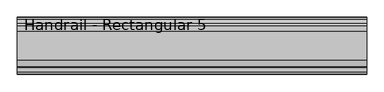
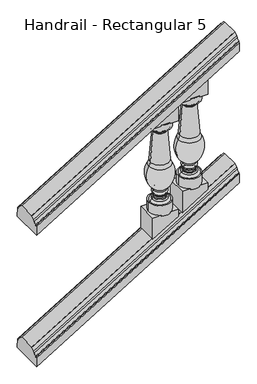
"""IFC4 building model written with IfcOpenShell, lengths in millimetres: railing geometry, Handrail - Rectangular 5."""

from ifc_helpers import new_model, si_unit, point, frame, origin, place, context, project, spatial, polyline, circle_curve, ellipse_curve, trimmed, outline, extrude, source, transform, mapped, element, save
from ifc_brep_helpers import plane_surface, cylinder_surface, revolved_surface, advanced_brep


def handrail_rectangular_5_e16f5a64(model_context):
    return source(origin(), model_context, "Body", "SolidModel", [
        advanced_brep(
        [(13375.5027138, 3915.5232089, 1199.0074207), (13375.5027138, 3932.6436506, 1210.4791063), (13375.5027138, 3939.1037227, 1221.5403426), (13375.5027138, 3963.1482089, 1232.4207421), (13375.5027138, 3963.1482089, 1236.1333333), (13375.5027138, 4079.0357089, 1236.1333333), (13375.5027138, 4079.0357089, 1232.4207421), (13375.5027138, 4103.080195, 1221.5403426), (13375.5027138, 4109.5402671, 1210.4791063), (13375.5027138, 4126.6607089, 1199.0074207), (13375.5027138, 4126.6607089, 1191.5822381), (13375.5027138, 4133.8044589, 1191.5822381), (13375.5027138, 4135.3919589, 1128.4681866), (13375.5027138, 3906.7919589, 1128.4681866), (13375.5027138, 3908.3794589, 1191.5822381), (13375.5027138, 3915.5232089, 1191.5822381), (14772.5027138, 3915.5232089, 2045.6740873), (14772.5027138, 3915.5232089, 2038.2489048), (14772.5027138, 3908.3794589, 2038.2489048), (14772.5027138, 3906.7919589, 1975.1348533), (14772.5027138, 4135.3919589, 1975.1348533), (14772.5027138, 4133.8044589, 2038.2489048), (14772.5027138, 4126.6607089, 2038.2489048), (14772.5027138, 4126.6607089, 2045.6740873), (14772.5027138, 4109.5402671, 2057.145773), (14772.5027138, 4103.080195, 2068.2070092), (14772.5027138, 4079.0357089, 2079.0874087), (14772.5027138, 4079.0357089, 2082.8), (14772.5027138, 3963.1482089, 2082.8), (14772.5027138, 3963.1482089, 2079.0874087), (14772.5027138, 3939.1037227, 2068.2070092), (14772.5027138, 3932.6436506, 2057.145773)],
        [
            (0, 1, ellipse_curve(frame((13375.5027138, 3915.5232089, 1222.2111161), z_axis=(1.0, 0.0, 0.0), x_axis=(0.0, 0.0, 1.0)), 23.2036954, 19.84375)),
            (1, 2),
            (2, 3, ellipse_curve(frame((13375.5027138, 3963.1482089, 1190.6540903), z_axis=(-1.0, 0.0, 0.0), x_axis=(0.0, 0.0, -1.0)), 41.7666517, 35.71875)),
            (3, 4),
            (4, 5),
            (5, 6),
            (6, 7, ellipse_curve(frame((13375.5027138, 4079.0357089, 1190.6540903), z_axis=(-1.0, 0.0, 0.0), x_axis=(0.0, 0.0, -1.0)), 41.7666517, 35.71875)),
            (7, 8),
            (8, 9, ellipse_curve(frame((13375.5027138, 4126.6607089, 1222.2111161), z_axis=(1.0, 0.0, 0.0), x_axis=(0.0, 0.0, 1.0)), 23.2036954, 19.84375)),
            (9, 10),
            (10, 11),
            (11, 12),
            (12, 13),
            (13, 14),
            (14, 15),
            (15, 0),
            (16, 17),
            (17, 18),
            (18, 19),
            (19, 20),
            (20, 21),
            (21, 22),
            (22, 23),
            (23, 24, ellipse_curve(frame((14772.5027138, 4126.6607089, 2068.8777828), z_axis=(-1.0, 0.0, 0.0), x_axis=(0.0, 0.0, 1.0)), 23.2036954, 19.84375)),
            (24, 25),
            (25, 26, ellipse_curve(frame((14772.5027138, 4079.0357089, 2037.320757), z_axis=(1.0, 0.0, 0.0), x_axis=(0.0, 0.0, -1.0)), 41.7666517, 35.71875)),
            (26, 27),
            (27, 28),
            (28, 29),
            (29, 30, ellipse_curve(frame((14772.5027138, 3963.1482089, 2037.320757), z_axis=(1.0, 0.0, 0.0), x_axis=(0.0, 0.0, -1.0)), 41.7666517, 35.71875)),
            (30, 31),
            (31, 16, ellipse_curve(frame((14772.5027138, 3915.5232089, 2068.8777828), z_axis=(-1.0, 0.0, 0.0), x_axis=(0.0, 0.0, 1.0)), 23.2036954, 19.84375)),
            (0, 16),
            (31, 1),
            (30, 2),
            (29, 3),
            (28, 4),
            (27, 5),
            (26, 6),
            (25, 7),
            (24, 8),
            (23, 9),
            (22, 10),
            (21, 11),
            (20, 12),
            (19, 13),
            (18, 14),
            (17, 15),
        ],
        [
            plane_surface(frame((13375.5027138, 4021.0919589, 1236.1333333), z_axis=(-1.0, 0.0, 0.0), x_axis=(0.0, 1.0, 0.0))),
            plane_surface(frame((14772.5027138, 4021.0919589, 2082.8), z_axis=(1.0, 0.0, 0.0), x_axis=(0.0, 1.0, 0.0))),
            revolved_surface(polyline([(14787.987982704497, 3932.643650672254, 2066.5307845075777), (13370.417883342452, 3932.643650672254, 1207.3973909549572)]), (13381.6737436, 3915.5232089, 1225.9511342), (0.8551978315540539, 0.0, 0.518301716093285)),
            plane_surface(frame((13375.5027138, 3932.6436506, 1210.4791063), z_axis=(-0.29229904298269427, -0.8258052588880855, 0.4822934209215209), x_axis=(0.8551978315540539, 0.0, 0.518301716093285))),
            cylinder_surface(frame((13395.6614111, 3963.1482089, 1202.8714827), z_axis=(-0.8551978315540539, 0.0, -0.518301716093285), x_axis=(-0.518301716093285, 0.0, 0.8551978315540539)), 35.71875),
            plane_surface(frame((13375.5027138, 3963.1482089, 1232.4207421), z_axis=(0.0, -1.0000000000000002, 0.0), x_axis=(0.8551978315540539, 0.0, 0.518301716093285))),
            plane_surface(frame((13375.5027138, 3963.1482089, 1236.1333333), z_axis=(-0.518301716093285, 0.0, 0.8551978315540539), x_axis=(0.8551978315540539, 0.0, 0.518301716093285))),
            plane_surface(frame((13375.5027138, 4079.0357089, 1236.1333333), z_axis=(0.0, 1.0000000000000002, 0.0), x_axis=(0.8551978315540539, 0.0, 0.518301716093285))),
            cylinder_surface(frame((13395.6614111, 4079.0357089, 1202.8714827), z_axis=(-0.8551978315540539, 0.0, -0.518301716093285), x_axis=(-0.518301716093285, 0.0, 0.8551978315540539)), 35.71875),
            plane_surface(frame((13375.5027138, 4103.080195, 1221.5403426), z_axis=(-0.2922990429826896, 0.8258052588880918, 0.4822934209215132), x_axis=(0.8551978315540539, 0.0, 0.518301716093285))),
            revolved_surface(polyline([(14787.987982704497, 4109.540267127746, 2066.5307845075777), (13370.417883342452, 4109.540267127746, 1207.3973909549572)]), (13381.6737436, 4126.6607089, 1225.9511342), (0.8551978315540539, 0.0, 0.518301716093285)),
            plane_surface(frame((13375.5027138, 4126.6607089, 1199.0074207), z_axis=(0.0, 1.0000000000000002, 0.0), x_axis=(0.8551978315540539, 0.0, 0.5183017160932849))),
            plane_surface(frame((13375.5027138, 4126.6607089, 1191.5822381), z_axis=(-0.5183017160932849, 0.0, 0.8551978315540539), x_axis=(0.8551978315540539, 0.0, 0.5183017160932849))),
            plane_surface(frame((13375.5027138, 4133.8044589, 1191.5822381), z_axis=(-0.015237578896775987, 0.9995677544643533, 0.02514200517968431), x_axis=(0.8551978315540539, 0.0, 0.5183017160932849))),
            plane_surface(frame((13375.5027138, 4135.3919589, 1128.4681866), z_axis=(0.518301716093285, 0.0, -0.8551978315540539), x_axis=(0.8551978315540539, 0.0, 0.518301716093285))),
            plane_surface(frame((13375.5027138, 3906.7919589, 1128.4681866), z_axis=(-0.015237578896776153, -0.9995677544643533, 0.02514200517968458), x_axis=(0.8551978315540539, 0.0, 0.518301716093285))),
            plane_surface(frame((13375.5027138, 3908.3794589, 1191.5822381), z_axis=(-0.5183017160932849, 0.0, 0.8551978315540539), x_axis=(0.8551978315540539, 0.0, 0.5183017160932849))),
            plane_surface(frame((13375.5027138, 3915.5232089, 1191.5822381), z_axis=(0.0, -1.0000000000000002, 0.0), x_axis=(0.8551978315540539, 0.0, 0.5183017160932849))),
        ],
        [
            (0, [[1, 2, 3, 4, 5, 6, 7, 8, 9, 10, 11, 12, 13, 14, 15, 16]]),
            (1, [[17, 18, 19, 20, 21, 22, 23, 24, 25, 26, 27, 28, 29, 30, 31, 32]]),
            (2, [[-1, 33, -32, 34]]),
            (3, [[-2, -34, -31, 35]]),
            (4, [[-3, -35, -30, 36]]),
            (5, [[-4, -36, -29, 37]]),
            (6, [[-5, -37, -28, 38]]),
            (7, [[-6, -38, -27, 39]]),
            (8, [[-7, -39, -26, 40]]),
            (9, [[-8, -40, -25, 41]]),
            (10, [[-9, -41, -24, 42]]),
            (11, [[-10, -42, -23, 43]]),
            (12, [[-11, -43, -22, 44]]),
            (13, [[-12, -44, -21, 45]]),
            (14, [[-13, -45, -20, 46]]),
            (15, [[-14, -46, -19, 47]]),
            (16, [[-15, -47, -18, 48]]),
            (17, [[-16, -48, -17, -33]]),
        ],
    ),
        advanced_brep(
        [(13375.5027138, 3915.5232089, 243.3324207), (13375.5027138, 3932.6436506, 254.8041063), (13375.5027138, 3939.1037227, 265.8653426), (13375.5027138, 3963.1482089, 276.7457421), (13375.5027138, 3963.1482089, 280.4583333), (13375.5027138, 4079.0357089, 280.4583333), (13375.5027138, 4079.0357089, 276.7457421), (13375.5027138, 4103.080195, 265.8653426), (13375.5027138, 4109.5402671, 254.8041063), (13375.5027138, 4126.6607089, 243.3324207), (13375.5027138, 4126.6607089, 235.9072381), (13375.5027138, 4133.8044589, 235.9072381), (13375.5027138, 4135.3919589, 172.7931866), (13375.5027138, 3906.7919589, 172.7931866), (13375.5027138, 3908.3794589, 235.9072381), (13375.5027138, 3915.5232089, 235.9072381), (14772.5027138, 3915.5232089, 1089.9990873), (14772.5027138, 3915.5232089, 1082.5739048), (14772.5027138, 3908.3794589, 1082.5739048), (14772.5027138, 3906.7919589, 1019.4598533), (14772.5027138, 4135.3919589, 1019.4598533), (14772.5027138, 4133.8044589, 1082.5739048), (14772.5027138, 4126.6607089, 1082.5739048), (14772.5027138, 4126.6607089, 1089.9990873), (14772.5027138, 4109.5402671, 1101.470773), (14772.5027138, 4103.080195, 1112.5320092), (14772.5027138, 4079.0357089, 1123.4124087), (14772.5027138, 4079.0357089, 1127.125), (14772.5027138, 3963.1482089, 1127.125), (14772.5027138, 3963.1482089, 1123.4124087), (14772.5027138, 3939.1037227, 1112.5320092), (14772.5027138, 3932.6436506, 1101.470773)],
        [
            (0, 1, ellipse_curve(frame((13375.5027138, 3915.5232089, 266.5361161), z_axis=(1.0, 0.0, 0.0), x_axis=(0.0, 0.0, 1.0)), 23.2036954, 19.84375)),
            (1, 2),
            (2, 3, ellipse_curve(frame((13375.5027138, 3963.1482089, 234.9790903), z_axis=(-1.0, 0.0, 0.0), x_axis=(0.0, 0.0, -1.0)), 41.7666517, 35.71875)),
            (3, 4),
            (4, 5),
            (5, 6),
            (6, 7, ellipse_curve(frame((13375.5027138, 4079.0357089, 234.9790903), z_axis=(-1.0, 0.0, 0.0), x_axis=(0.0, 0.0, -1.0)), 41.7666517, 35.71875)),
            (7, 8),
            (8, 9, ellipse_curve(frame((13375.5027138, 4126.6607089, 266.5361161), z_axis=(1.0, 0.0, 0.0), x_axis=(0.0, 0.0, 1.0)), 23.2036954, 19.84375)),
            (9, 10),
            (10, 11),
            (11, 12),
            (12, 13),
            (13, 14),
            (14, 15),
            (15, 0),
            (16, 17),
            (17, 18),
            (18, 19),
            (19, 20),
            (20, 21),
            (21, 22),
            (22, 23),
            (23, 24, ellipse_curve(frame((14772.5027138, 4126.6607089, 1113.2027828), z_axis=(-1.0, 0.0, 0.0), x_axis=(0.0, 0.0, 1.0)), 23.2036954, 19.84375)),
            (24, 25),
            (25, 26, ellipse_curve(frame((14772.5027138, 4079.0357089, 1081.645757), z_axis=(1.0, 0.0, 0.0), x_axis=(0.0, 0.0, -1.0)), 41.7666517, 35.71875)),
            (26, 27),
            (27, 28),
            (28, 29),
            (29, 30, ellipse_curve(frame((14772.5027138, 3963.1482089, 1081.645757), z_axis=(1.0, 0.0, 0.0), x_axis=(0.0, 0.0, -1.0)), 41.7666517, 35.71875)),
            (30, 31),
            (31, 16, ellipse_curve(frame((14772.5027138, 3915.5232089, 1113.2027828), z_axis=(-1.0, 0.0, 0.0), x_axis=(0.0, 0.0, 1.0)), 23.2036954, 19.84375)),
            (0, 16),
            (31, 1),
            (30, 2),
            (29, 3),
            (28, 4),
            (27, 5),
            (26, 6),
            (25, 7),
            (24, 8),
            (23, 9),
            (22, 10),
            (21, 11),
            (20, 12),
            (19, 13),
            (18, 14),
            (17, 15),
        ],
        [
            plane_surface(frame((13375.5027138, 4021.0919589, 280.4583333), z_axis=(-1.0, 0.0, 0.0), x_axis=(0.0, 1.0, 0.0))),
            plane_surface(frame((14772.5027138, 4021.0919589, 1127.125), z_axis=(1.0, 0.0, 0.0), x_axis=(0.0, 1.0, 0.0))),
            revolved_surface(polyline([(14787.987982704497, 3932.643650672254, 1110.8557845075777), (13370.417883342452, 3932.643650672254, 251.72239095495712)]), (13381.6737436, 3915.5232089, 270.2761342), (0.8551978315540539, 0.0, 0.518301716093285)),
            plane_surface(frame((13375.5027138, 3932.6436506, 254.8041063), z_axis=(-0.29229904298269427, -0.8258052588880855, 0.4822934209215209), x_axis=(0.8551978315540539, 0.0, 0.518301716093285))),
            cylinder_surface(frame((13395.6614111, 3963.1482089, 247.1964827), z_axis=(-0.8551978315540539, 0.0, -0.518301716093285), x_axis=(-0.518301716093285, 0.0, 0.8551978315540539)), 35.71875),
            plane_surface(frame((13375.5027138, 3963.1482089, 276.7457421), z_axis=(0.0, -1.0000000000000002, 0.0), x_axis=(0.8551978315540539, 0.0, 0.518301716093285))),
            plane_surface(frame((13375.5027138, 3963.1482089, 280.4583333), z_axis=(-0.518301716093285, 0.0, 0.8551978315540539), x_axis=(0.8551978315540539, 0.0, 0.518301716093285))),
            plane_surface(frame((13375.5027138, 4079.0357089, 280.4583333), z_axis=(0.0, 1.0000000000000002, 0.0), x_axis=(0.8551978315540539, 0.0, 0.518301716093285))),
            cylinder_surface(frame((13395.6614111, 4079.0357089, 247.1964827), z_axis=(-0.8551978315540539, 0.0, -0.518301716093285), x_axis=(-0.518301716093285, 0.0, 0.8551978315540539)), 35.71875),
            plane_surface(frame((13375.5027138, 4103.080195, 265.8653426), z_axis=(-0.2922990429826896, 0.8258052588880918, 0.4822934209215132), x_axis=(0.8551978315540539, 0.0, 0.518301716093285))),
            revolved_surface(polyline([(14787.987982704497, 4109.540267127746, 1110.8557845075777), (13370.417883342452, 4109.540267127746, 251.72239095495718)]), (13381.6737436, 4126.6607089, 270.2761342), (0.8551978315540539, 0.0, 0.518301716093285)),
            plane_surface(frame((13375.5027138, 4126.6607089, 243.3324207), z_axis=(0.0, 1.0000000000000002, 0.0), x_axis=(0.8551978315540539, 0.0, 0.518301716093285))),
            plane_surface(frame((13375.5027138, 4126.6607089, 235.9072381), z_axis=(-0.518301716093285, 0.0, 0.8551978315540539), x_axis=(0.8551978315540539, 0.0, 0.518301716093285))),
            plane_surface(frame((13375.5027138, 4133.8044589, 235.9072381), z_axis=(-0.015237578896775988, 0.9995677544643533, 0.02514200517968431), x_axis=(0.8551978315540539, 0.0, 0.518301716093285))),
            plane_surface(frame((13375.5027138, 4135.3919589, 172.7931866), z_axis=(0.518301716093285, 0.0, -0.8551978315540538), x_axis=(0.8551978315540538, 0.0, 0.518301716093285))),
            plane_surface(frame((13375.5027138, 3906.7919589, 172.7931866), z_axis=(-0.015237578896776151, -0.9995677544643531, 0.025142005179684575), x_axis=(0.8551978315540538, 0.0, 0.518301716093285))),
            plane_surface(frame((13375.5027138, 3908.3794589, 235.9072381), z_axis=(-0.518301716093285, 0.0, 0.8551978315540539), x_axis=(0.8551978315540539, 0.0, 0.518301716093285))),
            plane_surface(frame((13375.5027138, 3915.5232089, 235.9072381), z_axis=(0.0, -1.0000000000000002, 0.0), x_axis=(0.8551978315540539, 0.0, 0.518301716093285))),
        ],
        [
            (0, [[1, 2, 3, 4, 5, 6, 7, 8, 9, 10, 11, 12, 13, 14, 15, 16]]),
            (1, [[17, 18, 19, 20, 21, 22, 23, 24, 25, 26, 27, 28, 29, 30, 31, 32]]),
            (2, [[-1, 33, -32, 34]]),
            (3, [[-2, -34, -31, 35]]),
            (4, [[-3, -35, -30, 36]]),
            (5, [[-4, -36, -29, 37]]),
            (6, [[-5, -37, -28, 38]]),
            (7, [[-6, -38, -27, 39]]),
            (8, [[-7, -39, -26, 40]]),
            (9, [[-8, -40, -25, 41]]),
            (10, [[-9, -41, -24, 42]]),
            (11, [[-10, -42, -23, 43]]),
            (12, [[-11, -43, -22, 44]]),
            (13, [[-12, -44, -21, 45]]),
            (14, [[-13, -45, -20, 46]]),
            (15, [[-14, -46, -19, 47]]),
            (16, [[-15, -47, -18, 48]]),
            (17, [[-16, -48, -17, -33]]),
        ],
    ),
        advanced_brep(
        [(14416.9027138, 4021.0919589, 1711.9965933), (14569.3027138, 4021.0919589, 1711.9965933), (14493.1027138, 4021.0919589, 1711.9965933), (14416.9027138, 4021.0919589, 1664.3206688), (14569.3027138, 4021.0919589, 1664.3206688), (14426.945945, 4021.0919589, 1664.3206688), (14559.2594825, 4021.0919589, 1664.3206688), (14438.4292349, 4021.0919589, 1652.837379), (14547.7761926, 4021.0919589, 1652.837379), (14438.4292349, 4021.0919589, 1647.2177225), (14547.7761926, 4021.0919589, 1647.2177225), (14444.131422, 4021.0919589, 1641.0732909), (14542.0740055, 4021.0919589, 1641.0732909), (14447.4732178, 4021.0919589, 1631.714468), (14538.7322097, 4021.0919589, 1631.714468), (14428.7057118, 4021.0919589, 1416.3474151), (14557.4997157, 4021.0919589, 1416.3474151), (14419.6884892, 4021.0919589, 1388.3841777), (14566.5169383, 4021.0919589, 1388.3841777), (14448.9593215, 4021.0919589, 1215.6409234), (14537.2461061, 4021.0919589, 1215.6409234), (14448.9593215, 4021.0919589, 1205.3153087), (14537.2461061, 4021.0919589, 1205.3153087), (14448.9593215, 4021.0919589, 1182.7398584), (14537.2461061, 4021.0919589, 1182.7398584), (14448.9593215, 4021.0919589, 1172.4142437), (14537.2461061, 4021.0919589, 1172.4142437), (14453.2697617, 4021.0919589, 1168.1038035), (14532.9356658, 4021.0919589, 1168.1038035), (14453.2697617, 4021.0919589, 1156.3069144), (14532.9356658, 4021.0919589, 1156.3069144), (14448.7719686, 4021.0919589, 1152.0005477), (14537.4334589, 4021.0919589, 1152.0005477), (14441.2515116, 4021.0919589, 1141.9523802), (14544.9539159, 4021.0919589, 1141.9523802), (14426.1029029, 4021.0919589, 1127.7965933), (14560.1025247, 4021.0919589, 1127.7965933), (14416.9027138, 4021.0919589, 1127.7965933), (14569.3027138, 4021.0919589, 1127.7965933), (14416.9027138, 4021.0919589, 1051.5965933), (14569.3027138, 4021.0919589, 1051.5965933), (14493.1027138, 4021.0919589, 1051.5965933)],
        [
            (0, 1, circle_curve(frame((14493.1027138, 4021.0919589, 1711.9965933), z_axis=(0.0, 0.0, 1.0), x_axis=(1.0, 0.0, 0.0)), 76.2)),
            (1, 2),
            (2, 0),
            (1, 0, circle_curve(frame((14493.1027138, 4021.0919589, 1711.9965933), z_axis=(0.0, 0.0, 1.0), x_axis=(1.0, 0.0, 0.0)), 76.2)),
            (3, 4, circle_curve(frame((14493.1027138, 4021.0919589, 1664.3206688), z_axis=(0.0, 0.0, 1.0), x_axis=(1.0, 0.0, 0.0)), 76.2)),
            (4, 1),
            (0, 3),
            (4, 3, circle_curve(frame((14493.1027138, 4021.0919589, 1664.3206688), z_axis=(0.0, 0.0, 1.0), x_axis=(1.0, 0.0, 0.0)), 76.2)),
            (5, 6, circle_curve(frame((14493.1027138, 4021.0919589, 1664.3206688), z_axis=(0.0, 0.0, 1.0), x_axis=(1.0, 0.0, 0.0)), 66.1567687)),
            (6, 4),
            (3, 5),
            (6, 5, circle_curve(frame((14493.1027138, 4021.0919589, 1664.3206688), z_axis=(0.0, 0.0, 1.0), x_axis=(1.0, 0.0, 0.0)), 66.1567687)),
            (7, 8, circle_curve(frame((14493.1027138, 4021.0919589, 1652.837379), z_axis=(0.0, 0.0, 1.0), x_axis=(1.0, 0.0, 0.0)), 54.6734788)),
            (8, 6, circle_curve(frame((14547.7761926, 4021.0919589, 1664.3206688), z_axis=(0.0, -1.0, 0.0), x_axis=(-1.0, 0.0, 0.0)), 11.4832899)),
            (5, 7, circle_curve(frame((14438.4292349, 4021.0919589, 1664.3206688), z_axis=(0.0, -1.0, 0.0), x_axis=(1.0, 0.0, 0.0)), 11.4832899)),
            (8, 7, circle_curve(frame((14493.1027138, 4021.0919589, 1652.837379), z_axis=(0.0, 0.0, 1.0), x_axis=(1.0, 0.0, 0.0)), 54.6734788)),
            (9, 10, circle_curve(frame((14493.1027138, 4021.0919589, 1647.2177225), z_axis=(0.0, 0.0, 1.0), x_axis=(1.0, 0.0, 0.0)), 54.6734788)),
            (10, 8),
            (7, 9),
            (10, 9, circle_curve(frame((14493.1027138, 4021.0919589, 1647.2177225), z_axis=(0.0, 0.0, 1.0), x_axis=(1.0, 0.0, 0.0)), 54.6734788)),
            (11, 12, circle_curve(frame((14493.1027138, 4021.0919589, 1641.0732909), z_axis=(0.0, 0.0, 1.0), x_axis=(1.0, 0.0, 0.0)), 48.9712918)),
            (12, 10, circle_curve(frame((14555.485053, 4021.0919589, 1634.3456038), z_axis=(0.0, 1.0, 0.0), x_axis=(-1.0, 0.0, 0.0)), 15.0039317)),
            (9, 11, circle_curve(frame((14430.7203745, 4021.0919589, 1634.3456038), z_axis=(0.0, 1.0, 0.0), x_axis=(1.0, 0.0, 0.0)), 15.0039317)),
            (12, 11, circle_curve(frame((14493.1027138, 4021.0919589, 1641.0732909), z_axis=(0.0, 0.0, 1.0), x_axis=(1.0, 0.0, 0.0)), 48.9712918)),
            (13, 14, circle_curve(frame((14493.1027138, 4021.0919589, 1631.714468), z_axis=(0.0, 0.0, 1.0), x_axis=(1.0, 0.0, 0.0)), 45.629496)),
            (14, 12, circle_curve(frame((14551.4100981, 4021.0919589, 1632.4635652), z_axis=(0.0, 1.0, 0.0), x_axis=(-1.0, 0.0, 0.0)), 12.7)),
            (11, 13, circle_curve(frame((14434.7953294, 4021.0919589, 1632.4635652), z_axis=(0.0, 1.0, 0.0), x_axis=(1.0, 0.0, 0.0)), 12.7)),
            (14, 13, circle_curve(frame((14493.1027138, 4021.0919589, 1631.714468), z_axis=(0.0, 0.0, 1.0), x_axis=(1.0, 0.0, 0.0)), 45.629496)),
            (15, 16, circle_curve(frame((14493.1027138, 4021.0919589, 1416.3474151), z_axis=(0.0, 0.0, 1.0), x_axis=(1.0, 0.0, 0.0)), 64.3970019)),
            (16, 14, circle_curve(frame((18406.1737342, 4021.0919589, 1860.2296373), z_axis=(0.0, 1.0, 0.0), x_axis=(-1.0, 0.0, 0.0)), 3874.1867698)),
            (13, 15, circle_curve(frame((10580.0316934, 4021.0919589, 1860.2296373), z_axis=(0.0, 1.0, 0.0), x_axis=(1.0, 0.0, 0.0)), 3874.1867698)),
            (16, 15, circle_curve(frame((14493.1027138, 4021.0919589, 1416.3474151), z_axis=(0.0, 0.0, 1.0), x_axis=(1.0, 0.0, 0.0)), 64.3970019)),
            (17, 18, circle_curve(frame((14493.1027138, 4021.0919589, 1388.3841777), z_axis=(0.0, 0.0, 1.0), x_axis=(1.0, 0.0, 0.0)), 73.4142246)),
            (18, 16, circle_curve(frame((14632.0193683, 4021.0919589, 1424.9420503), z_axis=(0.0, 1.0, 0.0), x_axis=(-1.0, 0.0, 0.0)), 75.0136413)),
            (15, 17, circle_curve(frame((14354.1860592, 4021.0919589, 1424.9420503), z_axis=(0.0, 1.0, 0.0), x_axis=(1.0, 0.0, 0.0)), 75.0136413)),
            (18, 17, circle_curve(frame((14493.1027138, 4021.0919589, 1388.3841777), z_axis=(0.0, 0.0, 1.0), x_axis=(1.0, 0.0, 0.0)), 73.4142246)),
            (19, 20, circle_curve(frame((14493.1027138, 4021.0919589, 1215.6409234), z_axis=(0.0, 0.0, 1.0), x_axis=(1.0, 0.0, 0.0)), 44.1433923)),
            (20, 18, circle_curve(frame((14444.394589, 4021.0919589, 1320.2258927), z_axis=(0.0, -1.0, 0.0), x_axis=(-1.0, 0.0, 0.0)), 139.8549964)),
            (17, 19, circle_curve(frame((14541.8108385, 4021.0919589, 1320.2258927), z_axis=(0.0, -1.0, 0.0), x_axis=(1.0, 0.0, 0.0)), 139.8549964)),
            (20, 19, circle_curve(frame((14493.1027138, 4021.0919589, 1215.6409234), z_axis=(0.0, 0.0, 1.0), x_axis=(1.0, 0.0, 0.0)), 44.1433923)),
            (21, 22, circle_curve(frame((14493.1027138, 4021.0919589, 1205.3153087), z_axis=(0.0, 0.0, 1.0), x_axis=(1.0, 0.0, 0.0)), 44.1433923)),
            (22, 20),
            (19, 21),
            (22, 21, circle_curve(frame((14493.1027138, 4021.0919589, 1205.3153087), z_axis=(0.0, 0.0, 1.0), x_axis=(1.0, 0.0, 0.0)), 44.1433923)),
            (23, 24, circle_curve(frame((14493.1027138, 4021.0919589, 1182.7398584), z_axis=(0.0, 0.0, 1.0), x_axis=(1.0, 0.0, 0.0)), 44.1433923)),
            (24, 22, circle_curve(frame((14528.9540782, 4021.0919589, 1194.0275836), z_axis=(0.0, -1.0, 0.0), x_axis=(-1.0, 0.0, 0.0)), 14.0060867)),
            (21, 23, circle_curve(frame((14457.2513493, 4021.0919589, 1194.0275836), z_axis=(0.0, -1.0, 0.0), x_axis=(1.0, 0.0, 0.0)), 14.0060867)),
            (24, 23, circle_curve(frame((14493.1027138, 4021.0919589, 1182.7398584), z_axis=(0.0, 0.0, 1.0), x_axis=(1.0, 0.0, 0.0)), 44.1433923)),
            (25, 26, circle_curve(frame((14493.1027138, 4021.0919589, 1172.4142437), z_axis=(0.0, 0.0, 1.0), x_axis=(1.0, 0.0, 0.0)), 44.1433923)),
            (26, 24),
            (23, 25),
            (26, 25, circle_curve(frame((14493.1027138, 4021.0919589, 1172.4142437), z_axis=(0.0, 0.0, 1.0), x_axis=(1.0, 0.0, 0.0)), 44.1433923)),
            (27, 28, circle_curve(frame((14493.1027138, 4021.0919589, 1168.1038035), z_axis=(0.0, 0.0, 1.0), x_axis=(1.0, 0.0, 0.0)), 39.8329521)),
            (28, 26, circle_curve(frame((14537.2461061, 4021.0919589, 1168.1038035), z_axis=(0.0, 1.0, 0.0), x_axis=(-1.0, 0.0, 0.0)), 4.3104402)),
            (25, 27, circle_curve(frame((14448.9593215, 4021.0919589, 1168.1038035), z_axis=(0.0, 1.0, 0.0), x_axis=(1.0, 0.0, 0.0)), 4.3104402)),
            (28, 27, circle_curve(frame((14493.1027138, 4021.0919589, 1168.1038035), z_axis=(0.0, 0.0, 1.0), x_axis=(1.0, 0.0, 0.0)), 39.8329521)),
            (29, 30, circle_curve(frame((14493.1027138, 4021.0919589, 1156.3069144), z_axis=(0.0, 0.0, 1.0), x_axis=(1.0, 0.0, 0.0)), 39.8329521)),
            (30, 28),
            (27, 29),
            (30, 29, circle_curve(frame((14493.1027138, 4021.0919589, 1156.3069144), z_axis=(0.0, 0.0, 1.0), x_axis=(1.0, 0.0, 0.0)), 39.8329521)),
            (31, 32, circle_curve(frame((14493.1027138, 4021.0919589, 1152.0005477), z_axis=(0.0, 0.0, 1.0), x_axis=(1.0, 0.0, 0.0)), 44.3307451)),
            (32, 30, circle_curve(frame((14537.2461061, 4021.0919589, 1156.3069144), z_axis=(0.0, 1.0, 0.0), x_axis=(-1.0, 0.0, 0.0)), 4.3104402)),
            (29, 31, circle_curve(frame((14448.9593215, 4021.0919589, 1156.3069144), z_axis=(0.0, 1.0, 0.0), x_axis=(1.0, 0.0, 0.0)), 4.3104402)),
            (32, 31, circle_curve(frame((14493.1027138, 4021.0919589, 1152.0005477), z_axis=(0.0, 0.0, 1.0), x_axis=(1.0, 0.0, 0.0)), 44.3307451)),
            (33, 34, circle_curve(frame((14493.1027138, 4021.0919589, 1141.9523802), z_axis=(0.0, 0.0, 1.0), x_axis=(1.0, 0.0, 0.0)), 51.8512022)),
            (34, 32, circle_curve(frame((14530.3145996, 4021.0919589, 1138.8341124), z_axis=(0.0, -1.0, 0.0), x_axis=(-1.0, 0.0, 0.0)), 14.9677378)),
            (31, 33, circle_curve(frame((14455.8908279, 4021.0919589, 1138.8341124), z_axis=(0.0, -1.0, 0.0), x_axis=(1.0, 0.0, 0.0)), 14.9677378)),
            (34, 33, circle_curve(frame((14493.1027138, 4021.0919589, 1141.9523802), z_axis=(0.0, 0.0, 1.0), x_axis=(1.0, 0.0, 0.0)), 51.8512022)),
            (35, 36, circle_curve(frame((14493.1027138, 4021.0919589, 1127.7965933), z_axis=(0.0, 0.0, 1.0), x_axis=(1.0, 0.0, 0.0)), 66.9998109)),
            (36, 34, circle_curve(frame((14539.7050679, 4021.0919589, 1121.1519774), z_axis=(0.0, -1.0, 0.0), x_axis=(-1.0, 0.0, 0.0)), 21.4524396)),
            (33, 35, circle_curve(frame((14446.5003597, 4021.0919589, 1121.1519774), z_axis=(0.0, -1.0, 0.0), x_axis=(1.0, 0.0, 0.0)), 21.4524396)),
            (36, 35, circle_curve(frame((14493.1027138, 4021.0919589, 1127.7965933), z_axis=(0.0, 0.0, 1.0), x_axis=(1.0, 0.0, 0.0)), 66.9998109)),
            (37, 38, circle_curve(frame((14493.1027138, 4021.0919589, 1127.7965933), z_axis=(0.0, 0.0, 1.0), x_axis=(1.0, 0.0, 0.0)), 76.2)),
            (38, 36),
            (35, 37),
            (38, 37, circle_curve(frame((14493.1027138, 4021.0919589, 1127.7965933), z_axis=(0.0, 0.0, 1.0), x_axis=(1.0, 0.0, 0.0)), 76.2)),
            (39, 40, circle_curve(frame((14493.1027138, 4021.0919589, 1051.5965933), z_axis=(0.0, 0.0, 1.0), x_axis=(1.0, 0.0, 0.0)), 76.2)),
            (40, 38),
            (37, 39),
            (40, 39, circle_curve(frame((14493.1027138, 4021.0919589, 1051.5965933), z_axis=(0.0, 0.0, 1.0), x_axis=(1.0, 0.0, 0.0)), 76.2)),
            (41, 40),
            (39, 41),
        ],
        [
            plane_surface(frame((14493.1027138, 4021.0919589, 1711.9965933), z_axis=(0.0, 0.0, 1.0), x_axis=(1.0, 0.0, 0.0))),
            cylinder_surface(frame((14493.1027138, 4021.0919589, 1680.2465933), z_axis=(0.0, 0.0, -1.0), x_axis=(1.0, 0.0, 0.0)), 76.2),
            plane_surface(frame((14493.1027138, 4021.0919589, 1664.3206688), z_axis=(0.0, 0.0, -1.0), x_axis=(1.0, 0.0, 0.0))),
            revolved_surface(trimmed(ellipse_curve(frame((14547.7761926, 4021.0919589, 1664.3206688), z_axis=(0.0, 1.0, 0.0), x_axis=(-1.0, 0.0, 0.0)), 11.4832899, 11.4832899), [point((14559.2594825, 4021.0919589, 1664.3206688))], [point((14547.7761926, 4021.0919589, 1652.837379))], True, "CARTESIAN"), (14493.1027138, 4021.0919589, 1680.2465933), (0.0, 0.0, -1.0)),
            cylinder_surface(frame((14493.1027138, 4021.0919589, 1680.2465933), z_axis=(0.0, 0.0, -1.0), x_axis=(1.0, 0.0, 0.0)), 54.6734788),
            revolved_surface(trimmed(ellipse_curve(frame((14555.485053, 4021.0919589, 1634.3456038), z_axis=(0.0, -1.0, 0.0), x_axis=(-1.0, 0.0, 0.0)), 15.0039317, 15.0039317), [point((14547.7761926, 4021.0919589, 1647.2177225))], [point((14542.0740055, 4021.0919589, 1641.0732909))], True, "CARTESIAN"), (14493.1027138, 4021.0919589, 1680.2465933), (0.0, 0.0, -1.0)),
            revolved_surface(trimmed(ellipse_curve(frame((14551.4100981, 4021.0919589, 1632.4635652), z_axis=(0.0, -1.0, 0.0), x_axis=(-1.0, 0.0, 0.0)), 12.7, 12.7), [point((14542.0740055, 4021.0919589, 1641.0732909))], [point((14538.7322097, 4021.0919589, 1631.714468))], True, "CARTESIAN"), (14493.1027138, 4021.0919589, 1680.2465933), (0.0, 0.0, -1.0)),
            revolved_surface(trimmed(ellipse_curve(frame((18406.1737342, 4021.0919589, 1860.2296373), z_axis=(0.0, -1.0, 0.0), x_axis=(-1.0, 0.0, 0.0)), 3874.1867698, 3874.1867698), [point((14538.7322097, 4021.0919589, 1631.714468))], [point((14557.4997157, 4021.0919589, 1416.3474151))], True, "CARTESIAN"), (14493.1027138, 4021.0919589, 1680.2465933), (0.0, 0.0, -1.0)),
            revolved_surface(trimmed(ellipse_curve(frame((14632.0193683, 4021.0919589, 1424.9420503), z_axis=(0.0, -1.0, 0.0), x_axis=(-1.0, 0.0, 0.0)), 75.0136413, 75.0136413), [point((14557.4997157, 4021.0919589, 1416.3474151))], [point((14566.5169383, 4021.0919589, 1388.3841777))], True, "CARTESIAN"), (14493.1027138, 4021.0919589, 1680.2465933), (0.0, 0.0, -1.0)),
            revolved_surface(trimmed(ellipse_curve(frame((14444.394589, 4021.0919589, 1320.2258927), z_axis=(0.0, 1.0, 0.0), x_axis=(-1.0, 0.0, 0.0)), 139.8549964, 139.8549964), [point((14566.5169383, 4021.0919589, 1388.3841777))], [point((14537.2461061, 4021.0919589, 1215.6409234))], True, "CARTESIAN"), (14493.1027138, 4021.0919589, 1680.2465933), (0.0, 0.0, -1.0)),
            cylinder_surface(frame((14493.1027138, 4021.0919589, 1680.2465933), z_axis=(0.0, 0.0, -1.0), x_axis=(1.0, 0.0, 0.0)), 44.1433923),
            revolved_surface(trimmed(ellipse_curve(frame((14528.9540782, 4021.0919589, 1194.0275836), z_axis=(0.0, 1.0, 0.0), x_axis=(-1.0, 0.0, 0.0)), 14.0060867, 14.0060867), [point((14537.2461061, 4021.0919589, 1205.3153087))], [point((14537.2461061, 4021.0919589, 1182.7398584))], True, "CARTESIAN"), (14493.1027138, 4021.0919589, 1680.2465933), (0.0, 0.0, -1.0)),
            revolved_surface(trimmed(ellipse_curve(frame((14537.2461061, 4021.0919589, 1168.1038035), z_axis=(0.0, -1.0, 0.0), x_axis=(-1.0, 0.0, 0.0)), 4.3104402, 4.3104402), [point((14537.2461061, 4021.0919589, 1172.4142437))], [point((14532.9356658, 4021.0919589, 1168.1038035))], True, "CARTESIAN"), (14493.1027138, 4021.0919589, 1680.2465933), (0.0, 0.0, -1.0)),
            cylinder_surface(frame((14493.1027138, 4021.0919589, 1680.2465933), z_axis=(0.0, 0.0, -1.0), x_axis=(1.0, 0.0, 0.0)), 39.8329521),
            revolved_surface(trimmed(ellipse_curve(frame((14537.2461061, 4021.0919589, 1156.3069144), z_axis=(0.0, -1.0, 0.0), x_axis=(-1.0, 0.0, 0.0)), 4.3104402, 4.3104402), [point((14532.9356658, 4021.0919589, 1156.3069144))], [point((14537.4334589, 4021.0919589, 1152.0005477))], True, "CARTESIAN"), (14493.1027138, 4021.0919589, 1680.2465933), (0.0, 0.0, -1.0)),
            revolved_surface(trimmed(ellipse_curve(frame((14530.3145996, 4021.0919589, 1138.8341124), z_axis=(0.0, 1.0, 0.0), x_axis=(-1.0, 0.0, 0.0)), 14.9677378, 14.9677378), [point((14537.4334589, 4021.0919589, 1152.0005477))], [point((14544.9539159, 4021.0919589, 1141.9523802))], True, "CARTESIAN"), (14493.1027138, 4021.0919589, 1680.2465933), (0.0, 0.0, -1.0)),
            revolved_surface(trimmed(ellipse_curve(frame((14539.7050679, 4021.0919589, 1121.1519774), z_axis=(0.0, 1.0, 0.0), x_axis=(-1.0, 0.0, 0.0)), 21.4524396, 21.4524396), [point((14544.9539159, 4021.0919589, 1141.9523802))], [point((14560.1025247, 4021.0919589, 1127.7965933))], True, "CARTESIAN"), (14493.1027138, 4021.0919589, 1680.2465933), (0.0, 0.0, -1.0)),
            plane_surface(frame((14493.1027138, 4021.0919589, 1127.7965933), z_axis=(0.0, 0.0, 1.0), x_axis=(1.0, 0.0, 0.0))),
            plane_surface(frame((14493.1027138, 4021.0919589, 1051.5965933), z_axis=(0.0, 0.0, -1.0), x_axis=(1.0, 0.0, 0.0))),
        ],
        [
            (0, [[1, 2, 3]]),
            (0, [[4, -3, -2]]),
            (1, [[5, 6, -1, 7]]),
            (1, [[8, -7, -4, -6]]),
            (2, [[9, 10, -5, 11]]),
            (2, [[12, -11, -8, -10]]),
            (3, [[13, 14, -9, 15]]),
            (3, [[16, -15, -12, -14]]),
            (4, [[17, 18, -13, 19]]),
            (4, [[20, -19, -16, -18]]),
            (5, [[21, 22, -17, 23]]),
            (5, [[24, -23, -20, -22]]),
            (6, [[25, 26, -21, 27]]),
            (6, [[28, -27, -24, -26]]),
            (7, [[29, 30, -25, 31]]),
            (7, [[32, -31, -28, -30]]),
            (8, [[33, 34, -29, 35]]),
            (8, [[36, -35, -32, -34]]),
            (9, [[37, 38, -33, 39]]),
            (9, [[40, -39, -36, -38]]),
            (10, [[41, 42, -37, 43]]),
            (10, [[44, -43, -40, -42]]),
            (11, [[45, 46, -41, 47]]),
            (11, [[48, -47, -44, -46]]),
            (10, [[49, 50, -45, 51]]),
            (10, [[52, -51, -48, -50]]),
            (12, [[53, 54, -49, 55]]),
            (12, [[56, -55, -52, -54]]),
            (13, [[57, 58, -53, 59]]),
            (13, [[60, -59, -56, -58]]),
            (14, [[61, 62, -57, 63]]),
            (14, [[64, -63, -60, -62]]),
            (15, [[65, 66, -61, 67]]),
            (15, [[68, -67, -64, -66]]),
            (16, [[69, 70, -65, 71]]),
            (16, [[72, -71, -68, -70]]),
            (17, [[73, 74, -69, 75]]),
            (17, [[76, -75, -72, -74]]),
            (1, [[77, 78, -73, 79]]),
            (1, [[80, -79, -76, -78]]),
            (18, [[81, -77, 82]]),
            (18, [[-82, -80, -81]]),
        ],
    ),
        extrude(outline(polyline([(1059.3916667, 14582.0027138), (1059.3916667, 14404.2027138), (903.9128788, 14404.2027138), (1011.6704545, 14582.0027138), (1059.3916667, 14582.0027138)])), frame((0.0, 3951.2419589, 0.0), z_axis=(0.0, 1.0, 0.0), x_axis=(0.0, 0.0, 1.0)), (0.0, 0.0, 1.0), 139.7),
        extrude(outline(polyline([(1704.20152, 14404.2027138), (1704.20152, 14582.0027138), (1859.6803078, 14582.0027138), (1751.9227321, 14404.2027138), (1704.20152, 14404.2027138)])), frame((0.0, 3951.2419589, 0.0), z_axis=(0.0, 1.0, 0.0), x_axis=(0.0, 0.0, 1.0)), (0.0, 0.0, 1.0), 139.7),
        advanced_brep(
        [(14213.7027138, 4021.0919589, 1588.8450782), (14366.1027138, 4021.0919589, 1588.8450782), (14289.9027138, 4021.0919589, 1588.8450782), (14213.7027138, 4021.0919589, 1541.1691537), (14366.1027138, 4021.0919589, 1541.1691537), (14223.745945, 4021.0919589, 1541.1691537), (14356.0594825, 4021.0919589, 1541.1691537), (14235.2292349, 4021.0919589, 1529.6858638), (14344.5761926, 4021.0919589, 1529.6858638), (14235.2292349, 4021.0919589, 1524.0662073), (14344.5761926, 4021.0919589, 1524.0662073), (14240.931422, 4021.0919589, 1517.9217757), (14338.8740055, 4021.0919589, 1517.9217757), (14244.2732178, 4021.0919589, 1508.5629528), (14335.5322097, 4021.0919589, 1508.5629528), (14225.5057118, 4021.0919589, 1293.1959), (14354.2997157, 4021.0919589, 1293.1959), (14216.4884892, 4021.0919589, 1265.2326625), (14363.3169383, 4021.0919589, 1265.2326625), (14245.7593215, 4021.0919589, 1092.4894082), (14334.0461061, 4021.0919589, 1092.4894082), (14245.7593215, 4021.0919589, 1082.1637935), (14334.0461061, 4021.0919589, 1082.1637935), (14245.7593215, 4021.0919589, 1059.5883433), (14334.0461061, 4021.0919589, 1059.5883433), (14245.7593215, 4021.0919589, 1049.2627286), (14334.0461061, 4021.0919589, 1049.2627286), (14250.0697617, 4021.0919589, 1044.9522883), (14329.7356658, 4021.0919589, 1044.9522883), (14250.0697617, 4021.0919589, 1033.1553992), (14329.7356658, 4021.0919589, 1033.1553992), (14245.5719686, 4021.0919589, 1028.8490325), (14334.2334589, 4021.0919589, 1028.8490325), (14238.0515116, 4021.0919589, 1018.8008651), (14341.7539159, 4021.0919589, 1018.8008651), (14222.9029029, 4021.0919589, 1004.6450782), (14356.9025247, 4021.0919589, 1004.6450782), (14213.7027138, 4021.0919589, 1004.6450782), (14366.1027138, 4021.0919589, 1004.6450782), (14213.7027138, 4021.0919589, 928.4450782), (14366.1027138, 4021.0919589, 928.4450782), (14289.9027138, 4021.0919589, 928.4450782)],
        [
            (0, 1, circle_curve(frame((14289.9027138, 4021.0919589, 1588.8450782), z_axis=(0.0, 0.0, 1.0), x_axis=(1.0, 0.0, 0.0)), 76.2)),
            (1, 2),
            (2, 0),
            (1, 0, circle_curve(frame((14289.9027138, 4021.0919589, 1588.8450782), z_axis=(0.0, 0.0, 1.0), x_axis=(1.0, 0.0, 0.0)), 76.2)),
            (3, 4, circle_curve(frame((14289.9027138, 4021.0919589, 1541.1691537), z_axis=(0.0, 0.0, 1.0), x_axis=(1.0, 0.0, 0.0)), 76.2)),
            (4, 1),
            (0, 3),
            (4, 3, circle_curve(frame((14289.9027138, 4021.0919589, 1541.1691537), z_axis=(0.0, 0.0, 1.0), x_axis=(1.0, 0.0, 0.0)), 76.2)),
            (5, 6, circle_curve(frame((14289.9027138, 4021.0919589, 1541.1691537), z_axis=(0.0, 0.0, 1.0), x_axis=(1.0, 0.0, 0.0)), 66.1567687)),
            (6, 4),
            (3, 5),
            (6, 5, circle_curve(frame((14289.9027138, 4021.0919589, 1541.1691537), z_axis=(0.0, 0.0, 1.0), x_axis=(1.0, 0.0, 0.0)), 66.1567687)),
            (7, 8, circle_curve(frame((14289.9027138, 4021.0919589, 1529.6858638), z_axis=(0.0, 0.0, 1.0), x_axis=(1.0, 0.0, 0.0)), 54.6734788)),
            (8, 6, circle_curve(frame((14344.5761926, 4021.0919589, 1541.1691537), z_axis=(0.0, -1.0, 0.0), x_axis=(-1.0, 0.0, 0.0)), 11.4832899)),
            (5, 7, circle_curve(frame((14235.2292349, 4021.0919589, 1541.1691537), z_axis=(0.0, -1.0, 0.0), x_axis=(1.0, 0.0, 0.0)), 11.4832899)),
            (8, 7, circle_curve(frame((14289.9027138, 4021.0919589, 1529.6858638), z_axis=(0.0, 0.0, 1.0), x_axis=(1.0, 0.0, 0.0)), 54.6734788)),
            (9, 10, circle_curve(frame((14289.9027138, 4021.0919589, 1524.0662073), z_axis=(0.0, 0.0, 1.0), x_axis=(1.0, 0.0, 0.0)), 54.6734788)),
            (10, 8),
            (7, 9),
            (10, 9, circle_curve(frame((14289.9027138, 4021.0919589, 1524.0662073), z_axis=(0.0, 0.0, 1.0), x_axis=(1.0, 0.0, 0.0)), 54.6734788)),
            (11, 12, circle_curve(frame((14289.9027138, 4021.0919589, 1517.9217757), z_axis=(0.0, 0.0, 1.0), x_axis=(1.0, 0.0, 0.0)), 48.9712918)),
            (12, 10, circle_curve(frame((14352.285053, 4021.0919589, 1511.1940887), z_axis=(0.0, 1.0, 0.0), x_axis=(-1.0, 0.0, 0.0)), 15.0039317)),
            (9, 11, circle_curve(frame((14227.5203745, 4021.0919589, 1511.1940887), z_axis=(0.0, 1.0, 0.0), x_axis=(1.0, 0.0, 0.0)), 15.0039317)),
            (12, 11, circle_curve(frame((14289.9027138, 4021.0919589, 1517.9217757), z_axis=(0.0, 0.0, 1.0), x_axis=(1.0, 0.0, 0.0)), 48.9712918)),
            (13, 14, circle_curve(frame((14289.9027138, 4021.0919589, 1508.5629528), z_axis=(0.0, 0.0, 1.0), x_axis=(1.0, 0.0, 0.0)), 45.629496)),
            (14, 12, circle_curve(frame((14348.2100981, 4021.0919589, 1509.31205), z_axis=(0.0, 1.0, 0.0), x_axis=(-1.0, 0.0, 0.0)), 12.7)),
            (11, 13, circle_curve(frame((14231.5953294, 4021.0919589, 1509.31205), z_axis=(0.0, 1.0, 0.0), x_axis=(1.0, 0.0, 0.0)), 12.7)),
            (14, 13, circle_curve(frame((14289.9027138, 4021.0919589, 1508.5629528), z_axis=(0.0, 0.0, 1.0), x_axis=(1.0, 0.0, 0.0)), 45.629496)),
            (15, 16, circle_curve(frame((14289.9027138, 4021.0919589, 1293.1959), z_axis=(0.0, 0.0, 1.0), x_axis=(1.0, 0.0, 0.0)), 64.3970019)),
            (16, 14, circle_curve(frame((18202.9737342, 4021.0919589, 1737.0781221), z_axis=(0.0, 1.0, 0.0), x_axis=(-1.0, 0.0, 0.0)), 3874.1867698)),
            (13, 15, circle_curve(frame((10376.8316934, 4021.0919589, 1737.0781221), z_axis=(0.0, 1.0, 0.0), x_axis=(1.0, 0.0, 0.0)), 3874.1867698)),
            (16, 15, circle_curve(frame((14289.9027138, 4021.0919589, 1293.1959), z_axis=(0.0, 0.0, 1.0), x_axis=(1.0, 0.0, 0.0)), 64.3970019)),
            (17, 18, circle_curve(frame((14289.9027138, 4021.0919589, 1265.2326625), z_axis=(0.0, 0.0, 1.0), x_axis=(1.0, 0.0, 0.0)), 73.4142246)),
            (18, 16, circle_curve(frame((14428.8193683, 4021.0919589, 1301.7905351), z_axis=(0.0, 1.0, 0.0), x_axis=(-1.0, 0.0, 0.0)), 75.0136413)),
            (15, 17, circle_curve(frame((14150.9860592, 4021.0919589, 1301.7905351), z_axis=(0.0, 1.0, 0.0), x_axis=(1.0, 0.0, 0.0)), 75.0136413)),
            (18, 17, circle_curve(frame((14289.9027138, 4021.0919589, 1265.2326625), z_axis=(0.0, 0.0, 1.0), x_axis=(1.0, 0.0, 0.0)), 73.4142246)),
            (19, 20, circle_curve(frame((14289.9027138, 4021.0919589, 1092.4894082), z_axis=(0.0, 0.0, 1.0), x_axis=(1.0, 0.0, 0.0)), 44.1433923)),
            (20, 18, circle_curve(frame((14241.194589, 4021.0919589, 1197.0743775), z_axis=(0.0, -1.0, 0.0), x_axis=(-1.0, 0.0, 0.0)), 139.8549964)),
            (17, 19, circle_curve(frame((14338.6108385, 4021.0919589, 1197.0743775), z_axis=(0.0, -1.0, 0.0), x_axis=(1.0, 0.0, 0.0)), 139.8549964)),
            (20, 19, circle_curve(frame((14289.9027138, 4021.0919589, 1092.4894082), z_axis=(0.0, 0.0, 1.0), x_axis=(1.0, 0.0, 0.0)), 44.1433923)),
            (21, 22, circle_curve(frame((14289.9027138, 4021.0919589, 1082.1637935), z_axis=(0.0, 0.0, 1.0), x_axis=(1.0, 0.0, 0.0)), 44.1433923)),
            (22, 20),
            (19, 21),
            (22, 21, circle_curve(frame((14289.9027138, 4021.0919589, 1082.1637935), z_axis=(0.0, 0.0, 1.0), x_axis=(1.0, 0.0, 0.0)), 44.1433923)),
            (23, 24, circle_curve(frame((14289.9027138, 4021.0919589, 1059.5883433), z_axis=(0.0, 0.0, 1.0), x_axis=(1.0, 0.0, 0.0)), 44.1433923)),
            (24, 22, circle_curve(frame((14325.7540782, 4021.0919589, 1070.8760684), z_axis=(0.0, -1.0, 0.0), x_axis=(-1.0, 0.0, 0.0)), 14.0060867)),
            (21, 23, circle_curve(frame((14254.0513493, 4021.0919589, 1070.8760684), z_axis=(0.0, -1.0, 0.0), x_axis=(1.0, 0.0, 0.0)), 14.0060867)),
            (24, 23, circle_curve(frame((14289.9027138, 4021.0919589, 1059.5883433), z_axis=(0.0, 0.0, 1.0), x_axis=(1.0, 0.0, 0.0)), 44.1433923)),
            (25, 26, circle_curve(frame((14289.9027138, 4021.0919589, 1049.2627286), z_axis=(0.0, 0.0, 1.0), x_axis=(1.0, 0.0, 0.0)), 44.1433923)),
            (26, 24),
            (23, 25),
            (26, 25, circle_curve(frame((14289.9027138, 4021.0919589, 1049.2627286), z_axis=(0.0, 0.0, 1.0), x_axis=(1.0, 0.0, 0.0)), 44.1433923)),
            (27, 28, circle_curve(frame((14289.9027138, 4021.0919589, 1044.9522883), z_axis=(0.0, 0.0, 1.0), x_axis=(1.0, 0.0, 0.0)), 39.8329521)),
            (28, 26, circle_curve(frame((14334.0461061, 4021.0919589, 1044.9522883), z_axis=(0.0, 1.0, 0.0), x_axis=(-1.0, 0.0, 0.0)), 4.3104402)),
            (25, 27, circle_curve(frame((14245.7593215, 4021.0919589, 1044.9522883), z_axis=(0.0, 1.0, 0.0), x_axis=(1.0, 0.0, 0.0)), 4.3104402)),
            (28, 27, circle_curve(frame((14289.9027138, 4021.0919589, 1044.9522883), z_axis=(0.0, 0.0, 1.0), x_axis=(1.0, 0.0, 0.0)), 39.8329521)),
            (29, 30, circle_curve(frame((14289.9027138, 4021.0919589, 1033.1553992), z_axis=(0.0, 0.0, 1.0), x_axis=(1.0, 0.0, 0.0)), 39.8329521)),
            (30, 28),
            (27, 29),
            (30, 29, circle_curve(frame((14289.9027138, 4021.0919589, 1033.1553992), z_axis=(0.0, 0.0, 1.0), x_axis=(1.0, 0.0, 0.0)), 39.8329521)),
            (31, 32, circle_curve(frame((14289.9027138, 4021.0919589, 1028.8490325), z_axis=(0.0, 0.0, 1.0), x_axis=(1.0, 0.0, 0.0)), 44.3307451)),
            (32, 30, circle_curve(frame((14334.0461061, 4021.0919589, 1033.1553992), z_axis=(0.0, 1.0, 0.0), x_axis=(-1.0, 0.0, 0.0)), 4.3104402)),
            (29, 31, circle_curve(frame((14245.7593215, 4021.0919589, 1033.1553992), z_axis=(0.0, 1.0, 0.0), x_axis=(1.0, 0.0, 0.0)), 4.3104402)),
            (32, 31, circle_curve(frame((14289.9027138, 4021.0919589, 1028.8490325), z_axis=(0.0, 0.0, 1.0), x_axis=(1.0, 0.0, 0.0)), 44.3307451)),
            (33, 34, circle_curve(frame((14289.9027138, 4021.0919589, 1018.8008651), z_axis=(0.0, 0.0, 1.0), x_axis=(1.0, 0.0, 0.0)), 51.8512022)),
            (34, 32, circle_curve(frame((14327.1145996, 4021.0919589, 1015.6825972), z_axis=(0.0, -1.0, 0.0), x_axis=(-1.0, 0.0, 0.0)), 14.9677378)),
            (31, 33, circle_curve(frame((14252.6908279, 4021.0919589, 1015.6825972), z_axis=(0.0, -1.0, 0.0), x_axis=(1.0, 0.0, 0.0)), 14.9677378)),
            (34, 33, circle_curve(frame((14289.9027138, 4021.0919589, 1018.8008651), z_axis=(0.0, 0.0, 1.0), x_axis=(1.0, 0.0, 0.0)), 51.8512022)),
            (35, 36, circle_curve(frame((14289.9027138, 4021.0919589, 1004.6450782), z_axis=(0.0, 0.0, 1.0), x_axis=(1.0, 0.0, 0.0)), 66.9998109)),
            (36, 34, circle_curve(frame((14336.5050679, 4021.0919589, 998.0004622), z_axis=(0.0, -1.0, 0.0), x_axis=(-1.0, 0.0, 0.0)), 21.4524396)),
            (33, 35, circle_curve(frame((14243.3003597, 4021.0919589, 998.0004622), z_axis=(0.0, -1.0, 0.0), x_axis=(1.0, 0.0, 0.0)), 21.4524396)),
            (36, 35, circle_curve(frame((14289.9027138, 4021.0919589, 1004.6450782), z_axis=(0.0, 0.0, 1.0), x_axis=(1.0, 0.0, 0.0)), 66.9998109)),
            (37, 38, circle_curve(frame((14289.9027138, 4021.0919589, 1004.6450782), z_axis=(0.0, 0.0, 1.0), x_axis=(1.0, 0.0, 0.0)), 76.2)),
            (38, 36),
            (35, 37),
            (38, 37, circle_curve(frame((14289.9027138, 4021.0919589, 1004.6450782), z_axis=(0.0, 0.0, 1.0), x_axis=(1.0, 0.0, 0.0)), 76.2)),
            (39, 40, circle_curve(frame((14289.9027138, 4021.0919589, 928.4450782), z_axis=(0.0, 0.0, 1.0), x_axis=(1.0, 0.0, 0.0)), 76.2)),
            (40, 38),
            (37, 39),
            (40, 39, circle_curve(frame((14289.9027138, 4021.0919589, 928.4450782), z_axis=(0.0, 0.0, 1.0), x_axis=(1.0, 0.0, 0.0)), 76.2)),
            (41, 40),
            (39, 41),
        ],
        [
            plane_surface(frame((14289.9027138, 4021.0919589, 1588.8450782), z_axis=(0.0, 0.0, 1.0), x_axis=(1.0, 0.0, 0.0))),
            cylinder_surface(frame((14289.9027138, 4021.0919589, 1557.0950782), z_axis=(0.0, 0.0, -1.0), x_axis=(1.0, 0.0, 0.0)), 76.2),
            plane_surface(frame((14289.9027138, 4021.0919589, 1541.1691537), z_axis=(0.0, 0.0, -1.0), x_axis=(1.0, 0.0, 0.0))),
            revolved_surface(trimmed(ellipse_curve(frame((14344.5761926, 4021.0919589, 1541.1691537), z_axis=(0.0, 1.0, 0.0), x_axis=(-1.0, 0.0, 0.0)), 11.4832899, 11.4832899), [point((14356.0594825, 4021.0919589, 1541.1691537))], [point((14344.5761926, 4021.0919589, 1529.6858638))], True, "CARTESIAN"), (14289.9027138, 4021.0919589, 1557.0950782), (0.0, 0.0, -1.0)),
            cylinder_surface(frame((14289.9027138, 4021.0919589, 1557.0950782), z_axis=(0.0, 0.0, -1.0), x_axis=(1.0, 0.0, 0.0)), 54.6734788),
            revolved_surface(trimmed(ellipse_curve(frame((14352.285053, 4021.0919589, 1511.1940887), z_axis=(0.0, -1.0, 0.0), x_axis=(-1.0, 0.0, 0.0)), 15.0039317, 15.0039317), [point((14344.5761926, 4021.0919589, 1524.0662073))], [point((14338.8740055, 4021.0919589, 1517.9217757))], True, "CARTESIAN"), (14289.9027138, 4021.0919589, 1557.0950782), (0.0, 0.0, -1.0)),
            revolved_surface(trimmed(ellipse_curve(frame((14348.2100981, 4021.0919589, 1509.31205), z_axis=(0.0, -1.0, 0.0), x_axis=(-1.0, 0.0, 0.0)), 12.7, 12.7), [point((14338.8740055, 4021.0919589, 1517.9217757))], [point((14335.5322097, 4021.0919589, 1508.5629528))], True, "CARTESIAN"), (14289.9027138, 4021.0919589, 1557.0950782), (0.0, 0.0, -1.0)),
            revolved_surface(trimmed(ellipse_curve(frame((18202.9737342, 4021.0919589, 1737.0781221), z_axis=(0.0, -1.0, 0.0), x_axis=(-1.0, 0.0, 0.0)), 3874.1867698, 3874.1867698), [point((14335.5322097, 4021.0919589, 1508.5629528))], [point((14354.2997157, 4021.0919589, 1293.1959))], True, "CARTESIAN"), (14289.9027138, 4021.0919589, 1557.0950782), (0.0, 0.0, -1.0)),
            revolved_surface(trimmed(ellipse_curve(frame((14428.8193683, 4021.0919589, 1301.7905351), z_axis=(0.0, -1.0, 0.0), x_axis=(-1.0, 0.0, 0.0)), 75.0136413, 75.0136413), [point((14354.2997157, 4021.0919589, 1293.1959))], [point((14363.3169383, 4021.0919589, 1265.2326625))], True, "CARTESIAN"), (14289.9027138, 4021.0919589, 1557.0950782), (0.0, 0.0, -1.0)),
            revolved_surface(trimmed(ellipse_curve(frame((14241.194589, 4021.0919589, 1197.0743775), z_axis=(0.0, 1.0, 0.0), x_axis=(-1.0, 0.0, 0.0)), 139.8549964, 139.8549964), [point((14363.3169383, 4021.0919589, 1265.2326625))], [point((14334.0461061, 4021.0919589, 1092.4894082))], True, "CARTESIAN"), (14289.9027138, 4021.0919589, 1557.0950782), (0.0, 0.0, -1.0)),
            cylinder_surface(frame((14289.9027138, 4021.0919589, 1557.0950782), z_axis=(0.0, 0.0, -1.0), x_axis=(1.0, 0.0, 0.0)), 44.1433923),
            revolved_surface(trimmed(ellipse_curve(frame((14325.7540782, 4021.0919589, 1070.8760684), z_axis=(0.0, 1.0, 0.0), x_axis=(-1.0, 0.0, 0.0)), 14.0060867, 14.0060867), [point((14334.0461061, 4021.0919589, 1082.1637935))], [point((14334.0461061, 4021.0919589, 1059.5883433))], True, "CARTESIAN"), (14289.9027138, 4021.0919589, 1557.0950782), (0.0, 0.0, -1.0)),
            revolved_surface(trimmed(ellipse_curve(frame((14334.0461061, 4021.0919589, 1044.9522883), z_axis=(0.0, -1.0, 0.0), x_axis=(-1.0, 0.0, 0.0)), 4.3104402, 4.3104402), [point((14334.0461061, 4021.0919589, 1049.2627286))], [point((14329.7356658, 4021.0919589, 1044.9522883))], True, "CARTESIAN"), (14289.9027138, 4021.0919589, 1557.0950782), (0.0, 0.0, -1.0)),
            cylinder_surface(frame((14289.9027138, 4021.0919589, 1557.0950782), z_axis=(0.0, 0.0, -1.0), x_axis=(1.0, 0.0, 0.0)), 39.8329521),
            revolved_surface(trimmed(ellipse_curve(frame((14334.0461061, 4021.0919589, 1033.1553992), z_axis=(0.0, -1.0, 0.0), x_axis=(-1.0, 0.0, 0.0)), 4.3104402, 4.3104402), [point((14329.7356658, 4021.0919589, 1033.1553992))], [point((14334.2334589, 4021.0919589, 1028.8490325))], True, "CARTESIAN"), (14289.9027138, 4021.0919589, 1557.0950782), (0.0, 0.0, -1.0)),
            revolved_surface(trimmed(ellipse_curve(frame((14327.1145996, 4021.0919589, 1015.6825972), z_axis=(0.0, 1.0, 0.0), x_axis=(-1.0, 0.0, 0.0)), 14.9677378, 14.9677378), [point((14334.2334589, 4021.0919589, 1028.8490325))], [point((14341.7539159, 4021.0919589, 1018.8008651))], True, "CARTESIAN"), (14289.9027138, 4021.0919589, 1557.0950782), (0.0, 0.0, -1.0)),
            revolved_surface(trimmed(ellipse_curve(frame((14336.5050679, 4021.0919589, 998.0004622), z_axis=(0.0, 1.0, 0.0), x_axis=(-1.0, 0.0, 0.0)), 21.4524396, 21.4524396), [point((14341.7539159, 4021.0919589, 1018.8008651))], [point((14356.9025247, 4021.0919589, 1004.6450782))], True, "CARTESIAN"), (14289.9027138, 4021.0919589, 1557.0950782), (0.0, 0.0, -1.0)),
            plane_surface(frame((14289.9027138, 4021.0919589, 1004.6450782), z_axis=(0.0, 0.0, 1.0), x_axis=(1.0, 0.0, 0.0))),
            plane_surface(frame((14289.9027138, 4021.0919589, 928.4450782), z_axis=(0.0, 0.0, -1.0), x_axis=(1.0, 0.0, 0.0))),
        ],
        [
            (0, [[1, 2, 3]]),
            (0, [[4, -3, -2]]),
            (1, [[5, 6, -1, 7]]),
            (1, [[8, -7, -4, -6]]),
            (2, [[9, 10, -5, 11]]),
            (2, [[12, -11, -8, -10]]),
            (3, [[13, 14, -9, 15]]),
            (3, [[16, -15, -12, -14]]),
            (4, [[17, 18, -13, 19]]),
            (4, [[20, -19, -16, -18]]),
            (5, [[21, 22, -17, 23]]),
            (5, [[24, -23, -20, -22]]),
            (6, [[25, 26, -21, 27]]),
            (6, [[28, -27, -24, -26]]),
            (7, [[29, 30, -25, 31]]),
            (7, [[32, -31, -28, -30]]),
            (8, [[33, 34, -29, 35]]),
            (8, [[36, -35, -32, -34]]),
            (9, [[37, 38, -33, 39]]),
            (9, [[40, -39, -36, -38]]),
            (10, [[41, 42, -37, 43]]),
            (10, [[44, -43, -40, -42]]),
            (11, [[45, 46, -41, 47]]),
            (11, [[48, -47, -44, -46]]),
            (10, [[49, 50, -45, 51]]),
            (10, [[52, -51, -48, -50]]),
            (12, [[53, 54, -49, 55]]),
            (12, [[56, -55, -52, -54]]),
            (13, [[57, 58, -53, 59]]),
            (13, [[60, -59, -56, -58]]),
            (14, [[61, 62, -57, 63]]),
            (14, [[64, -63, -60, -62]]),
            (15, [[65, 66, -61, 67]]),
            (15, [[68, -67, -64, -66]]),
            (16, [[69, 70, -65, 71]]),
            (16, [[72, -71, -68, -70]]),
            (17, [[73, 74, -69, 75]]),
            (17, [[76, -75, -72, -74]]),
            (1, [[77, 78, -73, 79]]),
            (1, [[80, -79, -76, -78]]),
            (18, [[81, -77, 82]]),
            (18, [[-82, -80, -81]]),
        ],
    ),
        extrude(outline(polyline([(936.2401515, 14378.8027138), (936.2401515, 14201.0027138), (780.7613636, 14201.0027138), (888.5189394, 14378.8027138), (936.2401515, 14378.8027138)])), frame((0.0, 3951.2419589, 0.0), z_axis=(0.0, 1.0, 0.0), x_axis=(0.0, 0.0, 1.0)), (0.0, 0.0, 1.0), 139.7),
        extrude(outline(polyline([(1581.0500048, 14201.0027138), (1581.0500048, 14378.8027138), (1736.5287927, 14378.8027138), (1628.7712169, 14201.0027138), (1581.0500048, 14201.0027138)])), frame((0.0, 3951.2419589, 0.0), z_axis=(0.0, 1.0, 0.0), x_axis=(0.0, 0.0, 1.0)), (0.0, 0.0, 1.0), 139.7),
    ])


if __name__ == "__main__":
    model = new_model("IFC4")
    model_context = context("Model", 3, world=origin())
    ifc_project = project(units=[si_unit("LENGTHUNIT", "METRE", prefix="MILLI")], contexts=[model_context])
    site = spatial("IfcSite", under=ifc_project)
    building = spatial("IfcBuilding", under=site)
    placement = place(None, origin())
    handrail_rectangular_5_shape = handrail_rectangular_5_e16f5a64(model_context)
    element("IfcRailing", 1, ObjectType="Handrail - Rectangular 5", at=placement, inside=building, context=model_context, shape_type="MappedRepresentation", body=[
        mapped(handrail_rectangular_5_shape, transform((0.0, 0.0, 0.0), x_axis=(1.0, 0.0, 0.0), y_axis=(0.0, 1.0, 0.0), z_axis=(0.0, 0.0, 1.0))),
    ])
    save(model, "model.ifc")
